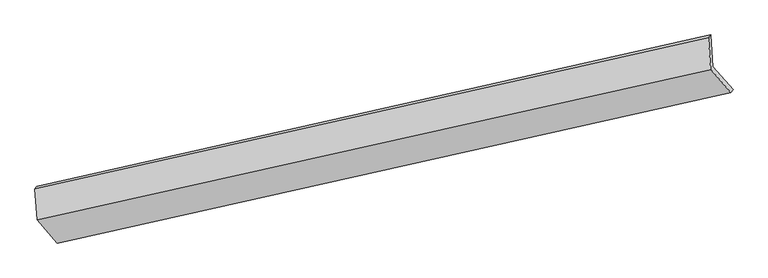
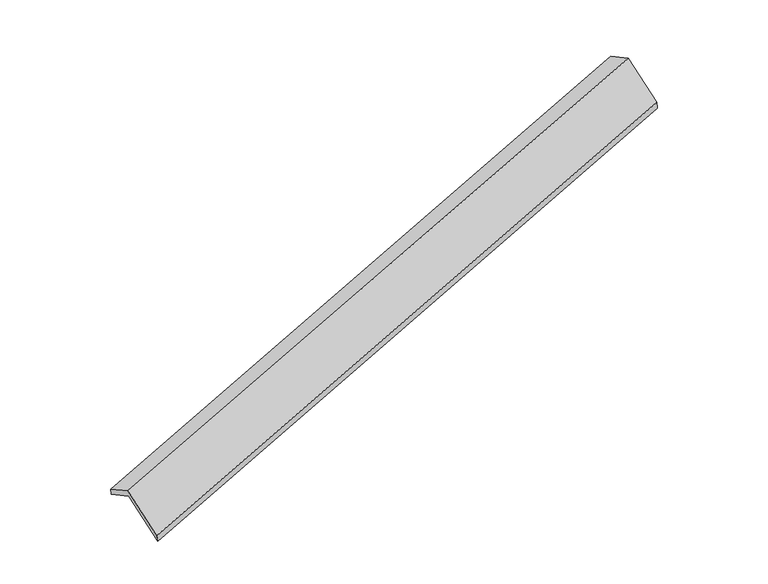
"""IFC4 building model written with IfcOpenShell, lengths in millimetres: proxy geometry."""

from ifc_helpers import new_model, si_unit, frame, origin, place, context, project, spatial, source, transform, mapped, element, save
from ifc_brep_helpers import plane_surface, spline_surface, advanced_brep


def generic_models_b73bb2b7(model_context):
    return source(origin(), model_context, "Body", "AdvancedBrep", [
        advanced_brep(
        [(-7374.5489529, -2526.2019738, 779.2692174), (-7402.8534927, -2109.0683517, 567.5594143), (1494.2942547, -106.6249684, 3312.4185788), (1522.5987945, -523.7585906, 3524.128382), (-7429.8105408, -2144.8565484, 680.9595908), (1464.4278351, -147.2674936, 3438.7791201), (-7402.109974, -2553.089215, 888.1518498), (1492.7323749, -564.4011158, 3650.4889232), (-7135.4789525, -2860.1915583, 247.4182645), (1755.8500518, -867.4568319, 3018.1981585), (-7105.4834816, -2836.1082866, 132.6854736), (1788.1509212, -829.6182762, 2885.9874587)],
        [
            (0, 1),
            (1, 2),
            (2, 3),
            (3, 0),
            (1, 4),
            (4, 5),
            (5, 2),
            (4, 6),
            (6, 7),
            (7, 5),
            (6, 8),
            (8, 9),
            (9, 7),
            (8, 10),
            (10, 11),
            (11, 9),
            (10, 0),
            (3, 11),
        ],
        [
            plane_surface(frame((-7388.7012228, -2317.6351628, 673.4143158), z_axis=(0.3515183843554065, -0.40462142824709874, -0.8442252811089246), x_axis=(-0.06039730188358653, 0.8900955634897243, -0.4517544175557038))),
            spline_surface(1, 1, [[(-7402.8534927, -2109.0683517, 567.5594143), (1494.2942547, -106.6249684, 3312.4185788)], [(-7429.8105408, -2144.8565484, 680.9595908), (1464.4278351, -147.2674936, 3438.7791201)]], [2, 2], [2, 2], [0.0, 1.0], [0.0, 1.0]),
            plane_surface(frame((-7415.9602574, -2348.9728817, 784.5557203), z_axis=(-0.35249913044548975, 0.4044009273741314, 0.8439219472049038), x_axis=(0.06039730188367833, -0.8900955634896863, 0.45175441755576645))),
            plane_surface(frame((-7268.7944633, -2706.6403866, 567.7850571), z_axis=(0.05892570886340184, -0.8904247506250782, 0.4512998164294036), x_axis=(0.35133445612387226, -0.4046627214194938, -0.8442820511141477))),
            spline_surface(1, 1, [[(-7135.4789525, -2860.1915583, 247.4182645), (1755.8500518, -867.4568319, 3018.1981585)], [(-7105.4834816, -2836.1082866, 132.6854736), (1788.1509212, -829.6182762, 2885.9874587)]], [2, 2], [2, 2], [0.0, 1.0], [0.0, 1.0]),
            plane_surface(frame((-7240.0162172, -2681.1551302, 455.9773455), z_axis=(-0.06088780013730288, 0.88998534366033, -0.4519057024028842), x_axis=(-0.35133445612388664, 0.40466272141950477, 0.8442820511141363))),
            plane_surface(frame((1586.342372, -506.5212127, 3305.0001035), z_axis=(0.9342998800520881, 0.20970925050929035, 0.28828070415046114), x_axis=(0.22866033318140822, 0.26786203923276414, -0.9359296875125998))),
            plane_surface(frame((-7308.3808991, -2504.9193223, 549.3406351), z_axis=(-0.9342998800521031, -0.20970925050913278, -0.28828070415052726), x_axis=(0.35133445612387376, -0.4046627214194987, -0.8442820511141446))),
        ],
        [
            (0, [[1, 2, 3, 4]]),
            (1, [[5, 6, 7, -2]]),
            (2, [[8, 9, 10, -6]]),
            (3, [[11, 12, 13, -9]]),
            (4, [[14, 15, 16, -12]]),
            (5, [[17, -4, 18, -15]]),
            (6, [[-16, -18, -3, -7, -10, -13]]),
            (7, [[-17, -14, -11, -8, -5, -1]]),
        ],
    ),
    ])


if __name__ == "__main__":
    model = new_model("IFC4")
    model_context = context("Model", 3, world=origin())
    ifc_project = project(units=[si_unit("LENGTHUNIT", "METRE", prefix="MILLI")], contexts=[model_context])
    site = spatial("IfcSite", under=ifc_project)
    building = spatial("IfcBuilding", under=site)
    placement = place(None, origin())
    generic_models_shape = generic_models_b73bb2b7(model_context)
    element("IfcBuildingElementProxy", 1, Name="Generic Models", at=placement, inside=building, context=model_context, shape_type="MappedRepresentation", body=[
        mapped(generic_models_shape, transform((0.0, 0.0, 0.0), x_axis=(1.0, 0.0, 0.0), y_axis=(0.0, 1.0, 0.0), z_axis=(0.0, 0.0, 1.0))),
    ])
    save(model, "model.ifc")
